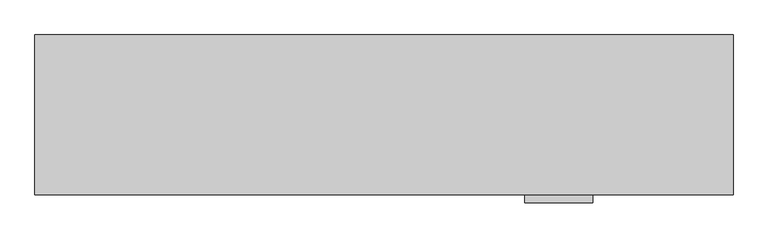
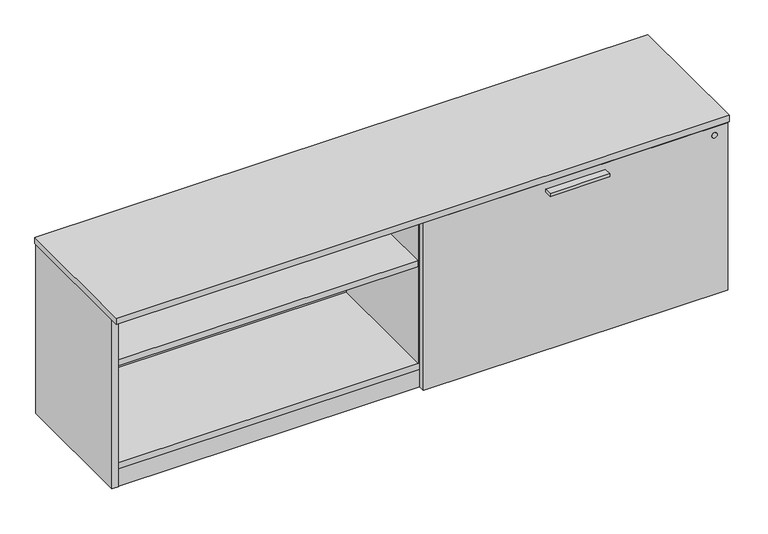
"""IFC4 building model written with IfcOpenShell, lengths in millimetres: furniture geometry."""

from ifc_helpers import new_model, si_unit, point, frame, frame_2d, origin, origin_with_axes, place, context, project, spatial, polyline, circle_curve, trimmed, segment, composite_curve, outline, extrude, source, transform, mapped, element, save


def furniture_b609bf2b(model_context):
    return source(origin(), model_context, "Body", "SweptSolid", [
        extrude(outline(polyline([(1460.5635, -447.8158592), (1282.7635, -447.8158592), (1282.7635, -425.5908592), (1460.5635, -425.5908592), (1460.5635, -447.8158592)])), frame((0.0, 0.0, 506.1508939), z_axis=(0.0, 0.0, 1.0), x_axis=(1.0, 0.0, 0.0)), (0.0, 0.0, 1.0), 9.525),
        extrude(outline(composite_curve([segment(trimmed(circle_curve(frame_2d((914.4, -217.6283713)), 4.445), [point((918.845, -217.6283713))], [point((909.955, -217.6283713))], False, "CARTESIAN"), True, "CONTINUOUS"), segment(trimmed(circle_curve(frame_2d((914.4, -217.6283713)), 4.445), [point((909.955, -217.6283713))], [point((918.845, -217.6283713))], False, "CARTESIAN"), True, "CONTINUOUS")], self_intersect=False)), frame((0.0, 0.0, 7.112), z_axis=(0.0, 0.0, 1.0), x_axis=(1.0, 0.0, 0.0)), (0.0, 0.0, 1.0), 2.032),
        extrude(outline(polyline([(920.0872187, -207.7297009), (925.8022187, -217.6283713), (920.0872187, -227.5270417), (908.6572187, -227.5270417), (902.9422187, -217.6283713), (908.6572187, -207.7297009), (920.0872187, -207.7297009)])), origin_with_axes(), (0.0, 0.0, 1.0), 9.144),
        extrude(outline(composite_curve([segment(trimmed(circle_curve(frame_2d((876.173, -246.2033713)), 3.175), [point((876.173, -249.3783713))], [point((872.998, -246.2033713))], False, "CARTESIAN"), True, "CONTINUOUS"), segment(polyline([(872.998, -246.2033713), (872.998, -189.0533713)]), True, "CONTINUOUS"), segment(trimmed(circle_curve(frame_2d((876.173, -189.0533713)), 3.175), [point((872.998, -189.0533713))], [point((876.173, -185.8783713))], False, "CARTESIAN"), True, "CONTINUOUS"), segment(polyline([(876.173, -185.8783713), (952.627, -185.8783713)]), True, "CONTINUOUS"), segment(trimmed(circle_curve(frame_2d((952.627, -189.0533713)), 3.175), [point((952.627, -185.8783713))], [point((955.802, -189.0533713))], False, "CARTESIAN"), True, "CONTINUOUS"), segment(polyline([(955.802, -189.0533713), (955.802, -246.2033713)]), True, "CONTINUOUS"), segment(trimmed(circle_curve(frame_2d((952.627, -246.2033713)), 3.175), [point((955.802, -246.2033713))], [point((952.627, -249.3783713))], False, "CARTESIAN"), True, "CONTINUOUS"), segment(polyline([(952.627, -249.3783713), (876.173, -249.3783713)]), True, "CONTINUOUS")], self_intersect=False)), frame((0.0, 0.0, 58.3692), z_axis=(0.0, 0.0, 1.0), x_axis=(1.0, 0.0, 0.0)), (0.0, 0.0, 1.0), 1.89738),
        extrude(outline(composite_curve([segment(polyline([(925.83, -230.3283713), (902.97, -230.3283713)]), True, "CONTINUOUS"), segment(trimmed(circle_curve(frame_2d((902.97, -229.0583713)), 1.27), [point((902.97, -230.3283713))], [point((901.7, -229.0583713))], False, "CARTESIAN"), True, "CONTINUOUS"), segment(polyline([(901.7, -229.0583713), (901.7, -206.1983713)]), True, "CONTINUOUS"), segment(trimmed(circle_curve(frame_2d((902.97, -206.1983713)), 1.27), [point((901.7, -206.1983713))], [point((902.97, -204.9283713))], False, "CARTESIAN"), True, "CONTINUOUS"), segment(polyline([(902.97, -204.9283713), (925.83, -204.9283713)]), True, "CONTINUOUS"), segment(trimmed(circle_curve(frame_2d((925.83, -206.1983713)), 1.27), [point((925.83, -204.9283713))], [point((927.1, -206.1983713))], False, "CARTESIAN"), True, "CONTINUOUS"), segment(polyline([(927.1, -206.1983713), (927.1, -229.0583713)]), True, "CONTINUOUS"), segment(trimmed(circle_curve(frame_2d((925.83, -229.0583713)), 1.27), [point((927.1, -229.0583713))], [point((925.83, -230.3283713))], False, "CARTESIAN"), True, "CONTINUOUS")], self_intersect=False)), frame((0.0, 0.0, 9.144), z_axis=(0.0, 0.0, 1.0), x_axis=(1.0, 0.0, 0.0)), (0.0, 0.0, 1.0), 49.2252),
        extrude(outline(polyline([(1766.4692022, -345.6355984), (1782.41706, -336.4280984), (1798.3649178, -345.6355984), (1798.3649178, -364.0505984), (1782.41706, -373.2580984), (1766.4692022, -364.0505984), (1766.4692022, -345.6355984)])), origin_with_axes(), (0.0, 0.0, 1.0), 9.144),
        extrude(outline(polyline([(1766.4692022, -47.1181713), (1782.41706, -37.9106713), (1798.3649178, -47.1181713), (1798.3649178, -65.5331713), (1782.41706, -74.7406713), (1766.4692022, -65.5331713), (1766.4692022, -47.1181713)])), origin_with_axes(), (0.0, 0.0, 1.0), 9.144),
        extrude(outline(polyline([(30.4350822, -345.6355984), (46.38294, -336.4280984), (62.3307978, -345.6355984), (62.3307978, -364.0505984), (46.38294, -373.2580984), (30.4350822, -364.0505984), (30.4350822, -345.6355984)])), origin_with_axes(), (0.0, 0.0, 1.0), 9.144),
        extrude(outline(polyline([(30.4350822, -47.1181713), (46.38294, -37.9106713), (62.3307978, -47.1181713), (62.3307978, -65.5331713), (46.38294, -74.7406713), (30.4350822, -65.5331713), (30.4350822, -47.1181713)])), origin_with_axes(), (0.0, 0.0, 1.0), 9.144),
        extrude(outline(polyline([(1807.9085154, -401.5878548), (20.8915005, -401.5878548), (20.8915005, -382.2838548), (1807.9085154, -382.2838548), (1807.9085154, -401.5878548)])), frame((0.0, 0.0, 4.699), z_axis=(0.0, 0.0, 1.0), x_axis=(1.0, 0.0, 0.0)), (0.0, 0.0, 1.0), 55.56758),
        extrude(outline(polyline([(917.702, -406.2868776), (1825.625, -406.2868776), (1825.625, -425.5908592), (917.702, -425.5908592), (917.702, -406.2868776)])), frame((0.0, 0.0, 7.874), z_axis=(0.0, 0.0, 1.0), x_axis=(1.0, 0.0, 0.0)), (0.0, 0.0, 1.0), 528.4393939),
        extrude(outline(polyline([(1807.9085154, -30.4938704), (1807.9085154, -402.7308447), (20.8915005, -402.7308447), (20.8915005, -30.4938704), (1807.9085154, -30.4938704)])), frame((0.0, 0.0, 520.1843787), z_axis=(0.0, 0.0, 1.0), x_axis=(1.0, 0.0, 0.0)), (0.0, 0.0, 1.0), 19.304),
        extrude(outline(polyline([(935.4185, -30.4938704), (935.4185, -401.5878548), (916.1145, -401.5878548), (916.1145, -30.4938704), (935.4185, -30.4938704)])), frame((0.0, 0.0, 79.57058), z_axis=(0.0, 0.0, 1.0), x_axis=(1.0, 0.0, 0.0)), (0.0, 0.0, 1.0), 440.6137987),
        extrude(outline(polyline([(916.1145, -30.4938704), (916.1145, -400.8258374), (20.8915, -400.8258374), (20.8915, -30.4938704), (916.1145, -30.4938704)])), frame((0.0, 0.0, 384.3705787), z_axis=(0.0, 0.0, 1.0), x_axis=(1.0, 0.0, 0.0)), (0.0, 0.0, 1.0), 19.304),
        extrude(outline(polyline([(1828.8, -8.0783713), (1828.8, -427.1783713), (0.0, -427.1783713), (0.0, -8.0783713), (1828.8, -8.0783713)])), frame((0.0, 0.0, 539.4883818), z_axis=(0.0, 0.0, 1.0), x_axis=(1.0, 0.0, 0.0)), (0.0, 0.0, 1.0), 19.0499969),
        extrude(outline(polyline([(1807.9085154, -30.4938704), (1807.9085154, -402.7308447), (20.8915005, -402.7308447), (20.8915005, -30.4938704), (1807.9085154, -30.4938704)])), frame((0.0, 0.0, 60.26658), z_axis=(0.0, 0.0, 1.0), x_axis=(1.0, 0.0, 0.0)), (0.0, 0.0, 1.0), 19.304),
        extrude(outline(polyline([(1807.9085154, -11.1898712), (1807.9085154, -30.4938704), (20.8915005, -30.4938704), (20.8915005, -11.1898712), (1807.9085154, -11.1898712)])), frame((0.0, 0.0, 4.699), z_axis=(0.0, 0.0, 1.0), x_axis=(1.0, 0.0, 0.0)), (0.0, 0.0, 1.0), 534.7893787),
        extrude(outline(polyline([(20.8915005, -9.6658713), (20.8915005, -403.1118534), (1.5875, -403.1118534), (1.5875, -9.6658713), (20.8915005, -9.6658713)])), frame((0.0, 0.0, 4.699), z_axis=(0.0, 0.0, 1.0), x_axis=(1.0, 0.0, 0.0)), (0.0, 0.0, 1.0), 534.7893787),
        extrude(outline(polyline([(1807.9085154, -9.6658713), (1827.2125158, -9.6658713), (1827.2125158, -403.1118534), (1807.9085154, -403.1118534), (1807.9085154, -9.6658713)])), frame((0.0, 0.0, 4.699), z_axis=(0.0, 0.0, 1.0), x_axis=(1.0, 0.0, 0.0)), (0.0, 0.0, 1.0), 534.7893787),
        extrude(outline(composite_curve([segment(trimmed(circle_curve(frame_2d((510.9133939, 1785.62)), 8.001), [point((510.9133939, 1793.621))], [point((510.9133939, 1777.619))], False, "CARTESIAN"), True, "CONTINUOUS"), segment(trimmed(circle_curve(frame_2d((510.9133939, 1785.62)), 8.001), [point((510.9133939, 1777.619))], [point((510.9133939, 1793.621))], False, "CARTESIAN"), True, "CONTINUOUS")], self_intersect=False)), frame((0.0, -427.1783713, 0.0), z_axis=(0.0, 1.0, 0.0), x_axis=(0.0, 0.0, 1.0)), (0.0, 0.0, 1.0), 1.5875121),
    ])


if __name__ == "__main__":
    model = new_model("IFC4")
    model_context = context("Model", 3, world=origin())
    ifc_project = project(units=[si_unit("LENGTHUNIT", "METRE", prefix="MILLI")], contexts=[model_context])
    site = spatial("IfcSite", under=ifc_project)
    building = spatial("IfcBuilding", under=site)
    placement = place(None, origin())
    furniture_shape = furniture_b609bf2b(model_context)
    element("IfcFurniture", 1, at=placement, inside=building, context=model_context, shape_type="MappedRepresentation", body=[
        mapped(furniture_shape, transform((0.0, 0.0, 0.0), x_axis=(1.0, 0.0, 0.0), y_axis=(0.0, 1.0, 0.0), z_axis=(0.0, 0.0, 1.0))),
    ])
    save(model, "model.ifc")
